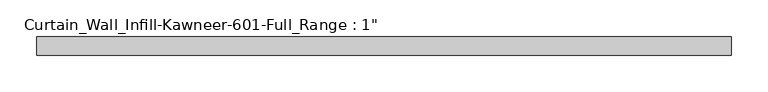
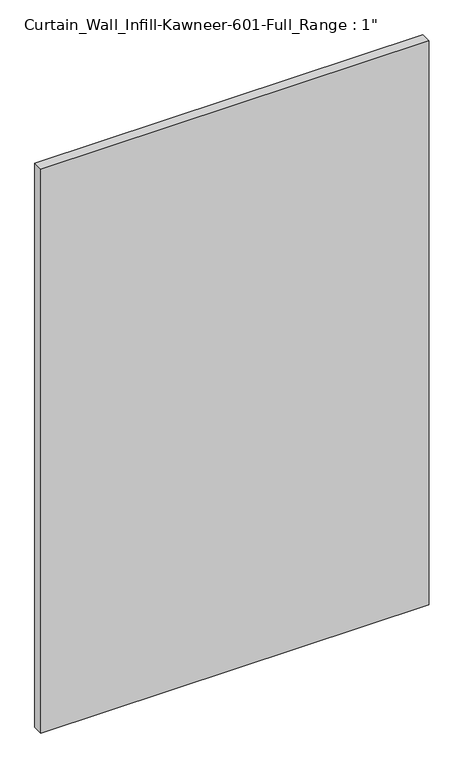
"""IFC4 building model written with IfcOpenShell, lengths in millimetres: plate geometry."""

from ifc_helpers import new_model, si_unit, origin, origin_with_axes, place, context, project, spatial, polyline, outline, extrude, source, transform, mapped, element, save


def plate_6e7173fe(model_context):
    return source(origin(), model_context, "Body", "SweptSolid", [
        extrude(outline(polyline([(-474.6625, -12.7), (-474.6625, 12.7), (474.6625, 12.7), (474.6625, -12.7), (-474.6625, -12.7)])), origin_with_axes(), (0.0, 0.0, 1.0), 1457.325),
    ])


if __name__ == "__main__":
    model = new_model("IFC4")
    model_context = context("Model", 3, world=origin())
    ifc_project = project(units=[si_unit("LENGTHUNIT", "METRE", prefix="MILLI")], contexts=[model_context])
    site = spatial("IfcSite", under=ifc_project)
    building = spatial("IfcBuilding", under=site)
    placement = place(None, origin())
    plate_shape = plate_6e7173fe(model_context)
    element("IfcPlate", 1, ObjectType="Curtain_Wall_Infill-Kawneer-601-Full_Range : 1\"", at=placement, inside=building, context=model_context, shape_type="MappedRepresentation", body=[
        mapped(plate_shape, transform((0.0, 0.0, 0.0), x_axis=(1.0, 0.0, 0.0), y_axis=(0.0, 1.0, 0.0), z_axis=(0.0, 0.0, 1.0))),
    ])
    save(model, "model.ifc")
